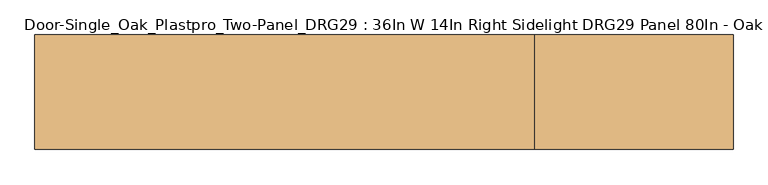
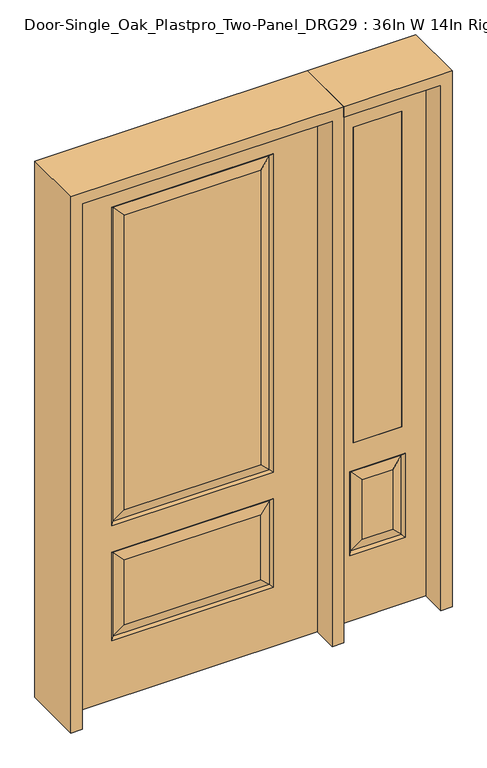
"""IFC4 building model written with IfcOpenShell, lengths in millimetres: door geometry, Door-Single_Oak_Plastpro_Two-Panel_DRG29 : 36In W 14In Right Sidelight DRG29 Panel 80In - Oak."""

from ifc_helpers import new_model, si_unit, frame, origin, place, context, project, spatial, polyline, outline, extrude, faceted_brep, source, transform, mapped, element, save


def door_single_oak_plastpro_two_panel_drg29_36in_w_14in_right_2aaae301(model_context):
    return source(origin(), model_context, "Body", "SolidModel", [
        faceted_brep([(-286.1796986, -11.6572439, 562.4046986), (-249.1224548, -20.6375, 525.3474548), (249.1224548, -20.6375, 525.3474548), (286.1796986, -11.6572439, 562.4046986), (249.1224548, -20.6375, 274.7525452), (286.1796986, -11.6572439, 237.6953014), (457.2, 20.6375, 0.0), (457.2, -20.6375, 0.0), (-457.2, -20.6375, 0.0), (-457.2, 20.6375, 0.0), (457.2, 20.6375, 2032.0), (457.2, -20.6375, 2032.0), (-249.1224548, -20.6375, 719.2525452), (249.1224548, -20.6375, 719.2525452), (249.1224548, -20.6375, 1858.8474548), (-249.1224548, -20.6375, 1858.8474548), (-457.2, -20.6375, 2032.0), (295.1599548, -20.6375, 673.2150452), (-295.1599548, -20.6375, 673.2150452), (-295.1599548, -20.6375, 1904.8849548), (295.1599548, -20.6375, 1904.8849548), (295.1599548, -20.6375, 228.7150452), (-295.1599548, -20.6375, 228.7150452), (-295.1599548, -20.6375, 571.3849548), (295.1599548, -20.6375, 571.3849548), (-249.1224548, -20.6375, 274.7525452), (-249.1224548, 20.6375, 274.7525452), (-286.1796986, 11.6572439, 237.6953014), (-286.1796986, 11.6572439, 562.4046986), (-249.1224548, 20.6375, 525.3474548), (-295.1599548, 20.6375, 228.7150452), (-295.1599548, 20.6375, 571.3849548), (286.1796986, 11.6572439, 237.6953014), (249.1224548, 20.6375, 274.7525452), (249.1224548, 20.6375, 525.3474548), (286.1796986, 11.6572439, 562.4046986), (286.1796986, 11.6572439, 682.1953014), (-286.1796986, 11.6572439, 682.1953014), (-249.1224548, 20.6375, 719.2525452), (249.1224548, 20.6375, 719.2525452), (-286.1796986, 11.6572439, 1895.9046986), (-249.1224548, 20.6375, 1858.8474548), (295.1599548, 20.6375, 571.3849548), (-286.1796986, -11.6572439, 237.6953014), (-457.2, 20.6375, 2032.0), (295.1599548, 20.6375, 228.7150452), (-295.1599548, 20.6375, 673.2150452), (295.1599548, 20.6375, 673.2150452), (295.1599548, 20.6375, 1904.8849548), (-295.1599548, 20.6375, 1904.8849548), (249.1224548, 20.6375, 1858.8474548), (286.1796986, 11.6572439, 1895.9046986), (286.1796986, -11.6572439, 682.1953014), (-286.1796986, -11.6572439, 682.1953014), (-286.1796986, -11.6572439, 1895.9046986), (286.1796986, -11.6572439, 1895.9046986)], [[[0, 1, 2, 3]], [[4, 5, 3, 2]], [[6, 7, 8, 9]], [[10, 11, 7, 6]], [[12, 13, 14, 15]], [[11, 16, 8, 7], [17, 18, 19, 20], [21, 22, 23, 24]], [[25, 4, 2, 1]], [[26, 27, 28, 29]], [[27, 30, 31, 28]], [[32, 33, 34, 35]], [[36, 37, 38, 39]], [[38, 37, 40, 41]], [[28, 31, 42, 35]], [[22, 43, 0, 23]], [[23, 0, 3, 24]], [[16, 44, 9, 8]], [[33, 26, 29, 34]], [[44, 10, 6, 9], [30, 45, 42, 31], [46, 47, 48, 49]], [[39, 38, 41, 50]], [[10, 44, 16, 11]], [[47, 36, 51, 48]], [[27, 32, 45, 30]], [[36, 39, 50, 51]], [[45, 32, 35, 42]], [[37, 36, 47, 46]], [[37, 46, 49, 40]], [[32, 27, 26, 33]], [[29, 28, 35, 34]], [[52, 53, 18, 17]], [[18, 53, 54, 19]], [[52, 17, 20, 55]], [[53, 52, 13, 12]], [[13, 52, 55, 14]], [[53, 12, 15, 54]], [[5, 43, 22, 21]], [[5, 21, 24, 3]], [[43, 5, 4, 25]], [[43, 25, 1, 0]], [[19, 54, 55, 20]], [[54, 15, 14, 55]], [[41, 40, 51, 50]], [[40, 49, 48, 51]]]),
        extrude(outline(polyline([(765.175, -20.6375), (587.375, -20.6375), (587.375, 20.6375), (765.175, 20.6375), (765.175, -20.6375)])), frame((0.0, 0.0, 685.8), z_axis=(0.0, 0.0, 1.0), x_axis=(1.0, 0.0, 0.0)), (0.0, 0.0, 1.0), 1219.2),
        faceted_brep([(765.175, -20.6375, 1905.0), (587.375, -20.6375, 1905.0), (587.375, 20.6375, 1905.0), (765.175, 20.6375, 1905.0), (731.7224548, -20.6375, 531.6974548), (620.8275452, -20.6375, 531.6974548), (620.8275452, -20.6375, 300.1525452), (731.7224548, -20.6375, 300.1525452), (498.475, -20.6375, 2032.0), (498.475, -20.6375, 0.0), (854.075, -20.6375, 0.0), (854.075, -20.6375, 2032.0), (765.175, -20.6375, 685.8), (587.375, -20.6375, 685.8), (777.7599548, -20.6375, 254.1150452), (574.7900452, -20.6375, 254.1150452), (574.7900452, -20.6375, 577.7349548), (777.7599548, -20.6375, 577.7349548), (768.7796986, 11.6572439, 568.7546986), (777.7599548, 20.6375, 577.7349548), (777.7599548, 20.6375, 254.1150452), (768.7796986, 11.6572439, 263.0953014), (583.7703014, 11.6572439, 568.7546986), (574.7900452, 20.6375, 577.7349548), (731.7224548, 20.6375, 300.1525452), (731.7224548, 20.6375, 531.6974548), (765.175, 20.6375, 685.8), (587.375, 20.6375, 685.8), (583.7703014, -11.6572439, 263.0953014), (768.7796986, -11.6572439, 263.0953014), (583.7703014, -11.6572439, 568.7546986), (768.7796986, -11.6572439, 568.7546986), (498.475, 20.6375, 2032.0), (854.075, 20.6375, 2032.0), (498.475, 20.6375, 0.0), (854.075, 20.6375, 0.0), (574.7900452, 20.6375, 254.1150452), (620.8275452, 20.6375, 300.1525452), (620.8275452, 20.6375, 531.6974548), (583.7703014, 11.6572439, 263.0953014)], [[[0, 1, 2, 3]], [[4, 5, 6, 7]], [[8, 9, 10, 11], [0, 12, 13, 1], [14, 15, 16, 17]], [[18, 19, 20, 21]], [[18, 22, 23, 19]], [[21, 24, 25, 18]], [[26, 27, 13, 12]], [[7, 6, 28, 29]], [[6, 5, 30, 28]], [[29, 14, 17, 31]], [[32, 8, 11, 33]], [[34, 35, 10, 9]], [[32, 34, 9, 8]], [[11, 10, 35, 33]], [[33, 35, 34, 32], [19, 23, 36, 20], [2, 27, 26, 3]], [[24, 37, 38, 25]], [[20, 36, 39, 21]], [[36, 23, 22, 39]], [[25, 38, 22, 18]], [[39, 22, 38, 37]], [[21, 39, 37, 24]], [[3, 26, 12, 0]], [[1, 13, 27, 2]], [[31, 4, 7, 29]], [[31, 30, 5, 4]], [[17, 16, 30, 31]], [[28, 30, 16, 15]], [[29, 28, 15, 14]]]),
        extrude(outline(polyline([(2073.275, -498.475), (0.0, -498.475), (0.0, -457.2), (2032.0, -457.2), (2032.0, 457.2), (0.0, 457.2), (0.0, 498.475), (2073.275, 498.475), (2073.275, -498.475)])), frame((0.0, -114.3, 0.0), z_axis=(0.0, 1.0, 0.0), x_axis=(0.0, 0.0, 1.0)), (0.0, 0.0, 1.0), 228.6),
        extrude(outline(polyline([(0.0, 854.075), (0.0, 895.35), (2073.275, 895.35), (2073.275, 498.475), (2032.0, 498.475), (2032.0, 854.075), (0.0, 854.075)])), frame((0.0, -114.3, 0.0), z_axis=(0.0, 1.0, 0.0), x_axis=(0.0, 0.0, 1.0)), (0.0, 0.0, 1.0), 228.6),
    ])


if __name__ == "__main__":
    model = new_model("IFC4")
    model_context = context("Model", 3, world=origin())
    ifc_project = project(units=[si_unit("LENGTHUNIT", "METRE", prefix="MILLI")], contexts=[model_context])
    site = spatial("IfcSite", under=ifc_project)
    building = spatial("IfcBuilding", under=site)
    placement = place(None, origin())
    door_single_oak_plastpro_two_panel_drg29_36in_w_14in_right_shape = door_single_oak_plastpro_two_panel_drg29_36in_w_14in_right_2aaae301(model_context)
    element("IfcDoor", 1, ObjectType="Door-Single_Oak_Plastpro_Two-Panel_DRG29 : 36In W 14In Right Sidelight DRG29 Panel 80In - Oak", at=placement, inside=building, context=model_context, shape_type="MappedRepresentation", body=[
        mapped(door_single_oak_plastpro_two_panel_drg29_36in_w_14in_right_shape, transform((0.0, 0.0, 0.0), x_axis=(1.0, 0.0, 0.0), y_axis=(0.0, 1.0, 0.0), z_axis=(0.0, 0.0, 1.0))),
    ])
    save(model, "model.ifc")
